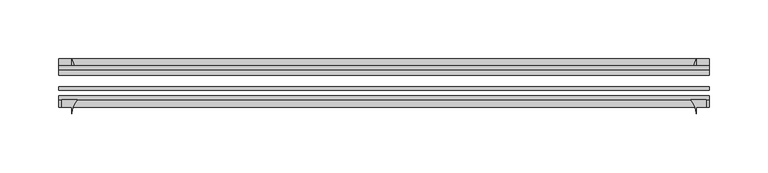
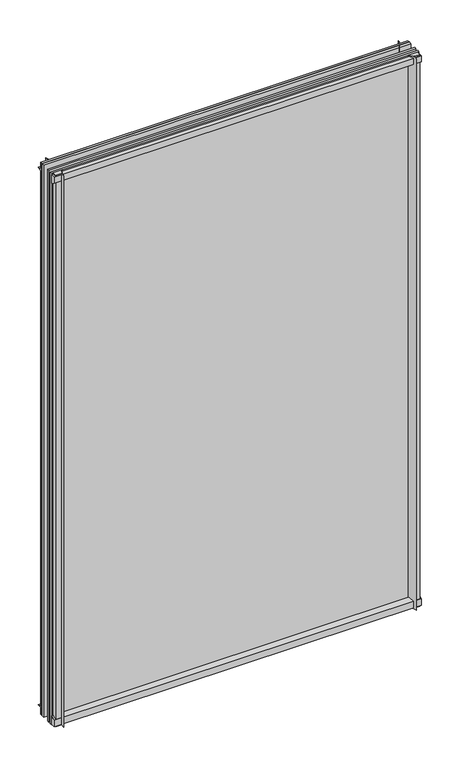
"""IFC4 building model written with IfcOpenShell, lengths in millimetres: plate geometry."""

from ifc_helpers import new_model, si_unit, point, frame, frame_2d, origin, place, context, project, spatial, polyline, circle_curve, trimmed, segment, composite_curve, outline, extrude, source, transform, mapped, element, save


def plate_44af13ec(model_context):
    return source(origin(), model_context, "Body", "SweptSolid", [
        extrude(outline(composite_curve([segment(polyline([(-42.891075, -11.1125), (-42.891075, 3.8539528)]), True, "CONTINUOUS"), segment(trimmed(circle_curve(frame_2d((-26.637892, 29.5913262)), 30.4397495), [point((-42.891075, 3.8539528))], [point((-33.7745413, 0.0))], True, "CARTESIAN"), True, "CONTINUOUS"), segment(polyline([(-33.7745413, 0.0), (-39.690675, 0.0), (-39.690675, -11.1125), (-42.891075, -11.1125)]), True, "CONTINUOUS")], self_intersect=False)), frame((-249.190813, 0.0, 0.0), z_axis=(1.0, 0.0, 0.0), x_axis=(0.0, 1.0, 0.0)), (0.0, 0.0, 1.0), 552.3566259),
        extrude(outline(composite_curve([segment(trimmed(circle_curve(frame_2d((-80.4922797, 17.8701603)), 18.6769817), [point((-74.641075, 0.1333891))], [point((-68.291075, 3.72943))], True, "CARTESIAN"), True, "CONTINUOUS"), segment(polyline([(-68.291075, 3.72943), (-68.291075, -10.3251), (-74.641075, -10.3251), (-74.641075, 0.1333891)]), True, "CONTINUOUS")], self_intersect=False)), frame((-249.190813, 0.0, 0.0), z_axis=(1.0, 0.0, 0.0), x_axis=(0.0, 1.0, 0.0)), (0.0, 0.0, 1.0), 552.3566259),
        extrude(outline(composite_curve([segment(polyline([(-42.891075, 850.2083472), (-42.891075, 865.1875), (-39.690675, 865.1875), (-39.690675, 854.075), (-33.721675, 854.075)]), True, "CONTINUOUS"), segment(trimmed(circle_curve(frame_2d((-26.637892, 824.4709738)), 30.4397495), [point((-33.721675, 854.075))], [point((-42.891075, 850.2083472))], True, "CARTESIAN"), True, "CONTINUOUS")], self_intersect=False)), frame((-249.190813, 0.0, 0.0), z_axis=(1.0, 0.0, 0.0), x_axis=(0.0, 1.0, 0.0)), (0.0, 0.0, 1.0), 552.3566259),
        extrude(outline(composite_curve([segment(polyline([(-68.291075, 862.8126), (-68.291075, 849.53912)]), True, "CONTINUOUS"), segment(trimmed(circle_curve(frame_2d((-80.4922797, 835.3983897)), 18.6769817), [point((-68.291075, 849.53912))], [point((-74.641075, 853.1351609))], True, "CARTESIAN"), True, "CONTINUOUS"), segment(polyline([(-74.641075, 853.1351609), (-74.641075, 862.8126), (-68.291075, 862.8126)]), True, "CONTINUOUS")], self_intersect=False)), frame((-249.190813, 0.0, 0.0), z_axis=(1.0, 0.0, 0.0), x_axis=(0.0, 1.0, 0.0)), (0.0, 0.0, 1.0), 552.3566259),
        extrude(outline(composite_curve([segment(polyline([(287.5174329, -68.291075), (300.790913, -68.291075), (300.790913, -74.641075), (292.053313, -74.641075), (292.053313, -80.3744844)]), True, "CONTINUOUS"), segment(trimmed(circle_curve(frame_2d((273.3767027, -80.4922797)), 18.6769817), [point((292.053313, -80.3744844))], [point((287.5174329, -68.291075))], True, "CARTESIAN"), True, "CONTINUOUS")], self_intersect=False)), frame((0.0, 0.0, -11.1125), z_axis=(0.0, 0.0, 1.0), x_axis=(1.0, 0.0, 0.0)), (0.0, 0.0, 1.0), 876.3),
        extrude(outline(composite_curve([segment(trimmed(circle_curve(frame_2d((262.4492867, -26.637892)), 30.4397495), [point((288.1866602, -42.891075))], [point((292.053313, -33.721675))], True, "CARTESIAN"), True, "CONTINUOUS"), segment(polyline([(292.053313, -33.721675), (292.053313, -39.690675), (303.165813, -39.690675), (303.165813, -42.891075), (288.1866602, -42.891075)]), True, "CONTINUOUS")], self_intersect=False)), frame((0.0, 0.0, -11.1125), z_axis=(0.0, 0.0, 1.0), x_axis=(1.0, 0.0, 0.0)), (0.0, 0.0, 1.0), 876.3),
        extrude(outline(composite_curve([segment(trimmed(circle_curve(frame_2d((-219.4017027, -80.4922797)), 18.6769817), [point((-233.5424329, -68.291075))], [point((-238.078313, -80.3744844))], True, "CARTESIAN"), True, "CONTINUOUS"), segment(polyline([(-238.078313, -80.3744844), (-238.078313, -74.641075), (-246.815913, -74.641075), (-246.815913, -68.291075), (-233.5424329, -68.291075)]), True, "CONTINUOUS")], self_intersect=False)), frame((0.0, 0.0, -11.1125), z_axis=(0.0, 0.0, 1.0), x_axis=(1.0, 0.0, 0.0)), (0.0, 0.0, 1.0), 876.3),
        extrude(outline(composite_curve([segment(polyline([(-234.2116602, -42.891075), (-249.190813, -42.891075), (-249.190813, -39.690675), (-238.078313, -39.690675), (-238.078313, -33.721675)]), True, "CONTINUOUS"), segment(trimmed(circle_curve(frame_2d((-208.4742867, -26.637892)), 30.4397495), [point((-238.078313, -33.721675))], [point((-234.2116602, -42.891075))], True, "CARTESIAN"), True, "CONTINUOUS")], self_intersect=False)), frame((0.0, 0.0, -11.1125), z_axis=(0.0, 0.0, 1.0), x_axis=(1.0, 0.0, 0.0)), (0.0, 0.0, 1.0), 876.3),
        extrude(outline(polyline([(-249.190813, -42.891075), (303.165813, -42.891075), (303.165813, -47.653575), (-249.190813, -47.653575), (-249.190813, -42.891075)])), frame((0.0, 0.0, -11.1125), z_axis=(0.0, 0.0, 1.0), x_axis=(1.0, 0.0, 0.0)), (0.0, 0.0, 1.0), 876.3),
        extrude(outline(polyline([(303.165813, -57.369075), (303.165813, -60.544075), (-249.190813, -60.544075), (-249.190813, -57.369075), (303.165813, -57.369075)])), frame((0.0, 0.0, -11.1125), z_axis=(0.0, 0.0, 1.0), x_axis=(1.0, 0.0, 0.0)), (0.0, 0.0, 1.0), 876.3),
        extrude(outline(polyline([(-249.190813, -65.116075), (303.165813, -65.116075), (303.165813, -68.291075), (-249.190813, -68.291075), (-249.190813, -65.116075)])), frame((0.0, 0.0, -11.1125), z_axis=(0.0, 0.0, 1.0), x_axis=(1.0, 0.0, 0.0)), (0.0, 0.0, 1.0), 876.3),
    ])


if __name__ == "__main__":
    model = new_model("IFC4")
    model_context = context("Model", 3, world=origin())
    ifc_project = project(units=[si_unit("LENGTHUNIT", "METRE", prefix="MILLI")], contexts=[model_context])
    site = spatial("IfcSite", under=ifc_project)
    building = spatial("IfcBuilding", under=site)
    placement = place(None, origin())
    plate_shape = plate_44af13ec(model_context)
    element("IfcPlate", 1, at=placement, inside=building, context=model_context, shape_type="MappedRepresentation", body=[
        mapped(plate_shape, transform((0.0, 0.0, 0.0), x_axis=(1.0, 0.0, 0.0), y_axis=(0.0, 1.0, 0.0), z_axis=(0.0, 0.0, 1.0))),
    ])
    save(model, "model.ifc")
